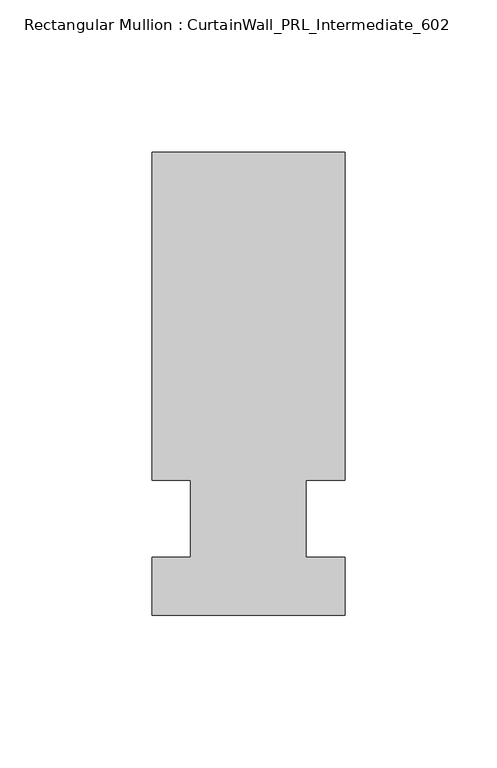
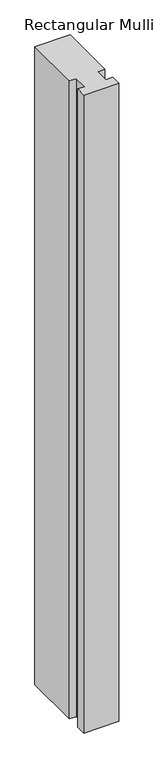
"""IFC4 building model written with IfcOpenShell, lengths in millimetres: member geometry, Rectangular Mullion : CurtainWall_PRL_Intermediate_602."""

from ifc_helpers import new_model, si_unit, frame, origin, place, context, project, spatial, polyline, outline, extrude, source, transform, mapped, element, save


def rectangular_mullion_curtainwall_prl_intermediate_602_78e6eed8(model_context):
    return source(origin(), model_context, "Body", "SweptSolid", [
        extrude(outline(polyline([(-19.05, 12.7), (-31.75, 12.7), (-31.75, 120.65), (31.75, 120.65), (31.75, 12.7), (19.05, 12.7), (19.05, -12.7), (31.75, -12.7), (31.75, -31.75), (-31.75, -31.75), (-31.75, -12.7), (-19.05, -12.7), (-19.05, 12.7)])), frame((0.0, 0.0, -1217.130757), z_axis=(0.0, 0.0, 1.0), x_axis=(1.0, 0.0, 0.0)), (0.0, 0.0, 1.0), 1217.130757),
    ])


if __name__ == "__main__":
    model = new_model("IFC4")
    model_context = context("Model", 3, world=origin())
    ifc_project = project(units=[si_unit("LENGTHUNIT", "METRE", prefix="MILLI")], contexts=[model_context])
    site = spatial("IfcSite", under=ifc_project)
    building = spatial("IfcBuilding", under=site)
    placement = place(None, origin())
    rectangular_mullion_curtainwall_prl_intermediate_602_shape = rectangular_mullion_curtainwall_prl_intermediate_602_78e6eed8(model_context)
    element("IfcMember", 1, ObjectType="Rectangular Mullion : CurtainWall_PRL_Intermediate_602", at=placement, inside=building, context=model_context, shape_type="MappedRepresentation", body=[
        mapped(rectangular_mullion_curtainwall_prl_intermediate_602_shape, transform((0.0, 0.0, 0.0), x_axis=(1.0, 0.0, 0.0), y_axis=(0.0, 1.0, 0.0), z_axis=(0.0, 0.0, 1.0))),
    ])
    save(model, "model.ifc")
